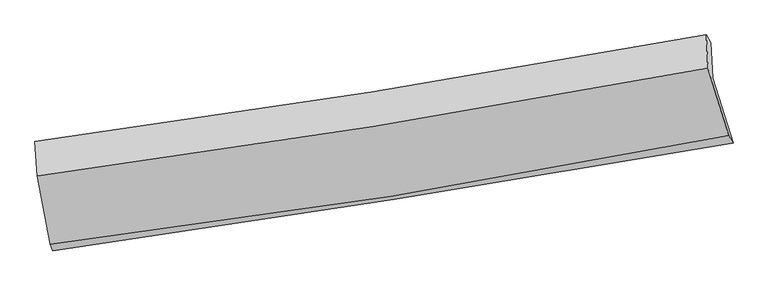
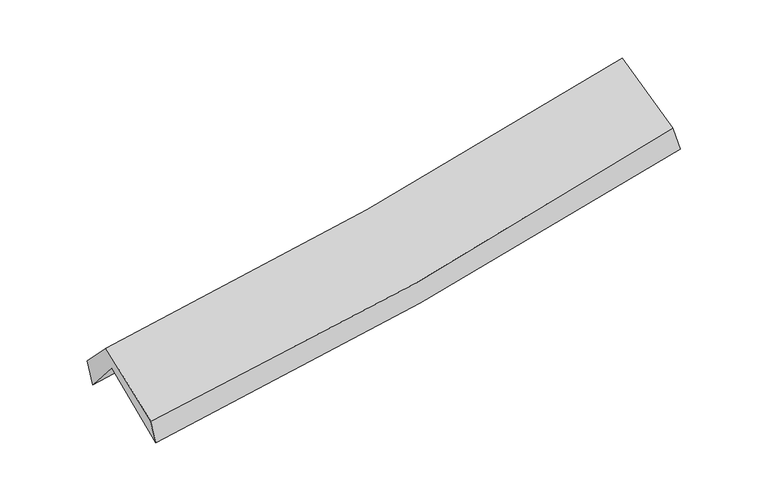
"""IFC4 building model written with IfcOpenShell, lengths in millimetres: proxy geometry."""

from ifc_helpers import new_model, si_unit, frame, origin, place, context, project, spatial, source, transform, mapped, element, save
from ifc_brep_helpers import plane_surface, spline_curve, spline_surface, advanced_brep


def generic_models_32b5f333(model_context):
    return source(origin(), model_context, "Body", "AdvancedBrep", [
        advanced_brep(
        [(-2463.3858887, -2496.5651629, 1479.0826544), (-2562.4960991, -1986.7525274, 1907.6176258), (2497.0679969, -1197.5726568, 2360.3487972), (2649.1230048, -1686.395965, 1953.2348504), (-2577.1193342, -1721.229782, 1594.0642022), (2481.6951801, -928.7332638, 2042.5834935), (-2597.275407, -1675.6911569, 1796.331711), (2447.2493637, -871.4810272, 2222.2970994), (-2580.6421101, -1932.9681416, 2064.3967241), (2460.376586, -1122.19276, 2528.2306089), (-2482.3544843, -2448.7431322, 1659.6009734), (2615.5266865, -1629.6004921, 2126.9539007)],
        [
            (0, 1),
            (1, 2, spline_curve(3, [(-2562.4960991, -1986.7525274, 1907.6176258), (-1716.2763905, -1870.263539586, 1964.423740955), (-871.885036637, -1746.314909012, 2030.51532349), (814.642415827, -1483.279788621, 2181.39479867), (1656.772427306, -1344.168462116, 2266.213606789), (2497.0679969, -1197.5726568, 2360.3487972)], [4, 2, 4], [0.0, 8.474499347207802, 16.96309452183103])),
            (2, 3),
            (3, 0, spline_curve(3, [(2649.1230048, -1686.395965, 1953.2348504), (1802.352698684, -1834.890884667, 1837.4709682), (952.568607108, -1976.702998072, 1740.05874705), (-751.611024881, -2246.737221313, 1582.068912607), (-1605.996564257, -2374.981507206, 1521.430401643), (-2463.3858887, -2496.5651629, 1479.0826544)], [4, 2, 4], [0.0, 8.48859517462323, 16.96309452183103])),
            (1, 4),
            (4, 5, spline_curve(3, [(-2577.1193342, -1721.229782, 1594.0642022), (-1731.090680876, -1603.048226583, 1648.7855206), (-886.8572955, -1477.97668085, 1713.483431432), (799.420186373, -1213.834114327, 1862.956645567), (1641.458305786, -1074.740153997, 1947.765165415), (2481.6951801, -928.7332638, 2042.5834935)], [4, 2, 4], [0.0, 8.426415721034758, 16.866847290896445])),
            (5, 2),
            (4, 6),
            (6, 7, spline_curve(3, [(-2597.275407, -1675.6911569, 1796.331711), (-1753.28994964, -1560.067212383, 1849.931941726), (-911.267844871, -1435.301022062, 1912.192473175), (770.246949091, -1167.261417192, 2054.152102257), (1609.733100834, -1023.957564236, 2133.880033501), (2447.2493637, -871.4810272, 2222.2970994)], [4, 2, 4], [0.0, 8.414343965566532, 16.842683700734696])),
            (7, 5),
            (6, 8),
            (8, 9, spline_curve(3, [(-2580.6421101, -1932.9681416, 2064.3967241), (-1735.053886446, -1820.594425133, 2114.163248338), (-892.521419719, -1696.908503795, 2177.655799641), (787.828319414, -1426.687706153, 2332.221394975), (1625.635418306, -1280.115167091, 2423.340138597), (2460.376586, -1122.19276, 2528.2306089)], [4, 2, 4], [0.0, 8.403981309744019, 16.821941152648662])),
            (9, 7),
            (8, 10),
            (10, 11, spline_curve(3, [(-2482.3544843, -2448.7431322, 1659.6009734), (-1624.248186952, -2345.141324426, 1702.239285176), (-770.720814906, -2225.148889047, 1762.457535102), (928.588153557, -1952.155913304, 1918.183313191), (1774.354505357, -1799.100802102, 2013.749372608), (2615.5266865, -1629.6004921, 2126.9539007)], [4, 2, 4], [0.0, 8.45339600274088, 16.920852731224592])),
            (11, 9),
            (10, 0),
            (3, 11),
        ],
        [
            spline_surface(3, 3, [[(-2463.3858887, -2496.5651629, 1479.0826544), (-1605.996564394, -2374.981507341, 1521.430401595), (-751.611024892, -2246.73722135, 1582.068912573), (952.568607119, -1976.702998035, 1740.058747084), (1802.352698771, -1834.890884724, 1837.470968103), (2649.1230048, -1686.395965, 1953.2348504)], [(-2496.422625509, -2326.62761774, 1621.927644875), (-1642.756506465, -2206.742184773, 1669.094848089), (-791.702362169, -2079.929783962, 1731.551049518), (906.593210062, -1812.228594866, 1887.170764292), (1753.825941637, -1671.316743847, 1980.38518101), (2598.438002143, -1523.454862256, 2088.939499322)], [(-2529.459362291, -2156.69007256, 1764.772635325), (-1679.51644851, -2038.502862185, 1816.759294559), (-831.793699463, -1913.122346533, 1881.033186485), (860.617812988, -1647.754191656, 2034.282781523), (1705.299184575, -1507.742603001, 2123.299393952), (2547.752999557, -1360.513759544, 2224.644148278)], [(-2562.4960991, -1986.7525274, 1907.6176258), (-1716.276390581, -1870.263539617, 1964.423741053), (-871.88503674, -1746.314909145, 2030.515323429), (814.642415931, -1483.279788487, 2181.394798731), (1656.772427441, -1344.168462124, 2266.213606858), (2497.0679969, -1197.5726568, 2360.3487972)]], [4, 4], [4, 2, 4], [0.0, 2.228847242002519], [0.0, 8.474499347207802, 16.96309452183103]),
            spline_surface(3, 3, [[(-2562.4960991, -1986.7525274, 1907.6176258), (-1716.276390581, -1870.263539617, 1964.423741053), (-871.88503674, -1746.314909145, 2030.515323429), (814.642415931, -1483.279788487, 2181.394798731), (1656.772427441, -1344.168462124, 2266.213606858), (2497.0679969, -1197.5726568, 2360.3487972)], [(-2567.370510809, -1898.244945591, 1803.099817906), (-1721.214487391, -1781.191768568, 1859.211000881), (-876.875789684, -1656.868833016, 1924.838026078), (809.568339414, -1393.464563766, 2075.248747694), (1651.667720206, -1254.359026093, 2160.06412633), (2491.943724633, -1107.959525821, 2254.427029292)], [(-2572.244922491, -1809.737363809, 1698.582010094), (-1726.152584174, -1692.119997545, 1753.998260791), (-881.866542596, -1567.422756935, 1819.160728728), (804.494262929, -1303.649339092, 1969.102696659), (1646.563012971, -1164.549589997, 2053.914645826), (2486.819452367, -1018.346394779, 2148.505261408)], [(-2577.1193342, -1721.229782, 1594.0642022), (-1731.090680985, -1603.048226497, 1648.78552062), (-886.85729554, -1477.976680807, 1713.483431376), (799.420186413, -1213.834114371, 1862.956645623), (1641.458305735, -1074.740153966, 1947.765165298), (2481.6951801, -928.7332638, 2042.5834935)]], [4, 4], [4, 2, 4], [0.0, 1.3665302526029532], [0.0, 8.426415721034758, 16.866847290896445]),
            spline_surface(3, 3, [[(-2577.1193342, -1721.229782, 1594.0642022), (-1731.090680985, -1603.048226497, 1648.78552062), (-886.85729554, -1477.976680807, 1713.483431376), (799.420186413, -1213.834114371, 1862.956645623), (1641.458305735, -1074.740153966, 1947.765165298), (2481.6951801, -928.7332638, 2042.5834935)], [(-2583.838025126, -1706.050240308, 1661.48670515), (-1738.490437201, -1588.721221797, 1715.834327642), (-894.994145284, -1463.751461256, 1779.719778634), (789.695773923, -1198.309881989, 1926.688464492), (1630.883237487, -1057.812624043, 2009.803454717), (2470.213241315, -909.649184929, 2102.488028807)], [(-2590.556716074, -1690.870698592, 1728.90920805), (-1745.890193441, -1574.394217074, 1782.883134613), (-903.130995004, -1449.526241642, 1845.956125918), (779.971361458, -1182.785649545, 1990.420283387), (1620.308169193, -1040.885094132, 2071.841744115), (2458.731302485, -890.565106071, 2162.392564093)], [(-2597.275407, -1675.6911569, 1796.331711), (-1753.289949658, -1560.067212374, 1849.931941635), (-911.267844748, -1435.301022091, 1912.192473176), (770.246948968, -1167.261417163, 2054.152102257), (1609.733100944, -1023.957564209, 2133.880033534), (2447.2493637, -871.4810272, 2222.2970994)]], [4, 4], [4, 2, 4], [0.0, 0.6619948662120549], [0.0, 8.414343965566532, 16.842683700734696]),
            spline_surface(3, 3, [[(-2597.275407, -1675.6911569, 1796.331711), (-1753.289949658, -1560.067212374, 1849.931941635), (-911.267844748, -1435.301022091, 1912.192473176), (770.246948968, -1167.261417163, 2054.152102257), (1609.733100944, -1023.957564209, 2133.880033534), (2447.2493637, -871.4810272, 2222.2970994)], [(-2591.730974683, -1761.450151805, 1885.686715348), (-1747.211261859, -1646.909616608, 1938.009043897), (-905.019036407, -1522.503515979, 2000.680248651), (776.107405809, -1253.73684684, 2146.841866485), (1615.033873387, -1109.343431791, 2230.366735266), (2451.62510445, -955.051604783, 2324.274935898)], [(-2586.186542417, -1847.209146695, 1975.041719752), (-1741.132574111, -1733.752020828, 2026.086146214), (-898.770228102, -1609.706009866, 2089.168024163), (781.967862614, -1340.212276516, 2239.531630751), (1620.33464588, -1194.729299425, 2326.853437002), (2456.00084525, -1038.622182417, 2426.252772402)], [(-2580.6421101, -1932.9681416, 2064.3967241), (-1735.053886313, -1820.594425062, 2114.163248475), (-892.52141976, -1696.908503755, 2177.655799637), (787.828319455, -1426.687706193, 2332.221394979), (1625.635418323, -1280.115167007, 2423.340138734), (2460.376586, -1122.19276, 2528.2306089)]], [4, 4], [4, 2, 4], [0.0, 1.236579062896992], [0.0, 8.403981309744019, 16.821941152648662]),
            spline_surface(3, 3, [[(-2580.6421101, -1932.9681416, 2064.3967241), (-1735.053886313, -1820.594425062, 2114.163248475), (-892.52141976, -1696.908503755, 2177.655799637), (787.828319455, -1426.687706193, 2332.221394979), (1625.635418323, -1280.115167007, 2423.340138734), (2460.376586, -1122.19276, 2528.2306089)], [(-2547.87956819, -2104.893138438, 1929.46480723), (-1698.118653248, -1995.443391499, 1976.855260785), (-851.921218204, -1872.988632125, 2039.256378103), (834.748264185, -1601.843775237, 2194.208701072), (1675.208447317, -1453.110378736, 2286.809883384), (2512.093286177, -1291.328670694, 2394.471706169)], [(-2515.11702621, -2276.818135362, 1794.53289027), (-1661.183420112, -2170.292358022, 1839.547273005), (-811.321016599, -2049.068760576, 1900.856956569), (881.668208964, -1776.99984436, 2056.196007165), (1724.781476281, -1626.105590482, 2150.279628026), (2563.809986323, -1460.464581406, 2260.712803431)], [(-2482.3544843, -2448.7431322, 1659.6009734), (-1624.248187047, -2345.141324459, 1702.239285314), (-770.720815043, -2225.148888946, 1762.457535035), (928.588153694, -1952.155913404, 1918.183313259), (1774.354505275, -1799.10080221, 2013.749372676), (2615.5266865, -1629.6004921, 2126.9539007)]], [4, 4], [4, 2, 4], [0.0, 2.241366150271599], [0.0, 8.45339600274088, 16.920852731224592]),
            spline_surface(3, 3, [[(-2482.3544843, -2448.7431322, 1659.6009734), (-1624.248187047, -2345.141324459, 1702.239285314), (-770.720815043, -2225.148888946, 1762.457535035), (928.588153694, -1952.155913404, 1918.183313259), (1774.354505275, -1799.10080221, 2013.749372676), (2615.5266865, -1629.6004921, 2126.9539007)], [(-2476.031619083, -2464.683809119, 1599.428200391), (-1618.164312812, -2355.088052105, 1641.969657399), (-764.350884975, -2232.344999755, 1702.327994243), (936.581638186, -1960.338274955, 1858.808457896), (1783.687236456, -1811.030829731, 1954.989904496), (2626.725459282, -1648.532316416, 2069.047550611)], [(-2469.708753917, -2480.624485981, 1539.255427409), (-1612.080438629, -2365.034779695, 1581.700029511), (-757.98095496, -2239.541110541, 1642.198453365), (944.575122626, -1968.520636484, 1799.433602447), (1793.01996759, -1822.960857203, 1896.230436283), (2637.924232018, -1667.464140684, 2011.141200489)], [(-2463.3858887, -2496.5651629, 1479.0826544), (-1605.996564394, -2374.981507341, 1521.430401595), (-751.611024892, -2246.73722135, 1582.068912573), (952.568607119, -1976.702998035, 1740.058747084), (1802.352698771, -1834.890884724, 1837.470968103), (2649.1230048, -1686.395965, 1953.2348504)]], [4, 4], [4, 2, 4], [0.0, 0.5971565912327869], [0.0, 8.511792768349753, 17.037743395110116]),
            plane_surface(frame((2525.1731363, -1239.3293608, 2205.608125), z_axis=(0.972036765084591, 0.20035612112766293, 0.1224824560929478), x_axis=(0.23322085177538782, -0.7627327540807395, -0.6031971320800297))),
            plane_surface(frame((-2543.8788872, -2043.6583172, 1750.1823152), z_axis=(-0.9885138526421012, -0.13490017705031793, -0.06813446533483138), x_axis=(-0.10105470990361311, 0.254770650078053, 0.9617067440052103))),
        ],
        [
            (0, [[1, 2, 3, 4]]),
            (1, [[5, 6, 7, -2]]),
            (2, [[8, 9, 10, -6]]),
            (3, [[11, 12, 13, -9]]),
            (4, [[14, 15, 16, -12]]),
            (5, [[17, -4, 18, -15]]),
            (6, [[-16, -18, -3, -7, -10, -13]]),
            (7, [[-17, -14, -11, -8, -5, -1]]),
        ],
    ),
    ])


if __name__ == "__main__":
    model = new_model("IFC4")
    model_context = context("Model", 3, world=origin())
    ifc_project = project(units=[si_unit("LENGTHUNIT", "METRE", prefix="MILLI")], contexts=[model_context])
    site = spatial("IfcSite", under=ifc_project)
    building = spatial("IfcBuilding", under=site)
    placement = place(None, origin())
    generic_models_shape = generic_models_32b5f333(model_context)
    element("IfcBuildingElementProxy", 1, Name="Generic Models", at=placement, inside=building, context=model_context, shape_type="MappedRepresentation", body=[
        mapped(generic_models_shape, transform((0.0, 0.0, 0.0), x_axis=(1.0, 0.0, 0.0), y_axis=(0.0, 1.0, 0.0), z_axis=(0.0, 0.0, 1.0))),
    ])
    save(model, "model.ifc")
